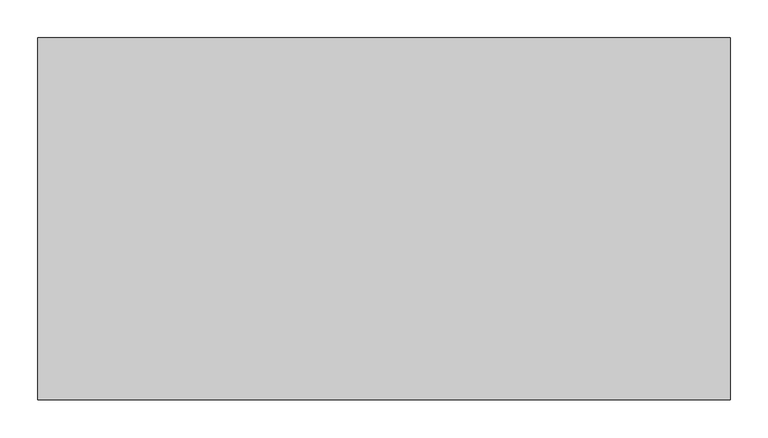
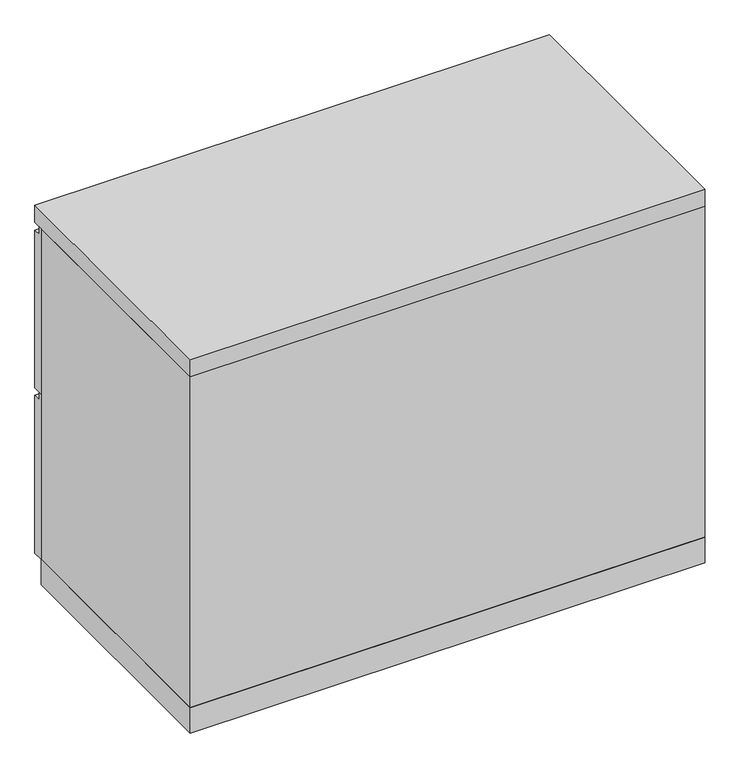
"""IFC4 building model written with IfcOpenShell, lengths in millimetres: furniture geometry."""

from ifc_helpers import new_model, si_unit, frame, origin, origin_with_axes, place, context, project, spatial, polyline, outline, extrude, source, transform, mapped, element, save


def furniture_5cbb4ccc(model_context):
    return source(origin(), model_context, "Body", "SweptSolid", [
        extrude(outline(polyline([(457.2, 357.1875), (457.2, 666.75), (463.55, 666.75), (463.55, 652.4625), (476.25, 652.4625), (476.25, 357.1875), (457.2, 357.1875)])), frame((-455.6125, 0.0, 0.0), z_axis=(1.0, 0.0, 0.0), x_axis=(0.0, 1.0, 0.0)), (0.0, 0.0, 1.0), 911.225),
        extrude(outline(polyline([(457.2, 357.1875), (457.2, 666.75), (463.55, 666.75), (463.55, 652.4625), (476.25, 652.4625), (476.25, 357.1875), (457.2, 357.1875)])), frame((-455.6125, 0.0, 0.0), z_axis=(1.0, 0.0, 0.0), x_axis=(0.0, 1.0, 0.0)), (0.0, 0.0, 1.0), 911.225),
        extrude(outline(polyline([(457.2, 47.625), (457.2, 357.1875), (463.55, 357.1875), (463.55, 342.9), (476.25, 342.9), (476.25, 47.625), (457.2, 47.625)])), frame((-455.6125, 0.0, 0.0), z_axis=(1.0, 0.0, 0.0), x_axis=(0.0, 1.0, 0.0)), (0.0, 0.0, 1.0), 911.225),
        extrude(outline(polyline([(455.6125, 0.0), (-455.6125, 0.0), (-455.6125, 457.2), (455.6125, 457.2), (455.6125, 0.0)])), origin_with_axes(), (0.0, 0.0, 1.0), 47.625),
        extrude(outline(polyline([(455.6125, 0.0), (-455.6125, 0.0), (-455.6125, 476.25), (455.6125, 476.25), (455.6125, 0.0)])), frame((0.0, 0.0, 666.75), z_axis=(0.0, 0.0, 1.0), x_axis=(1.0, 0.0, 0.0)), (0.0, 0.0, 1.0), 31.75),
        extrude(outline(polyline([(455.6125, 0.0), (-455.6125, 0.0), (-455.6125, 457.2), (-436.5625, 457.2), (-436.5625, 19.05), (436.5625, 19.05), (436.5625, 457.2), (455.6125, 457.2), (455.6125, 0.0)])), frame((0.0, 0.0, 47.625), z_axis=(0.0, 0.0, 1.0), x_axis=(1.0, 0.0, 0.0)), (0.0, 0.0, 1.0), 619.125),
    ])


if __name__ == "__main__":
    model = new_model("IFC4")
    model_context = context("Model", 3, world=origin())
    ifc_project = project(units=[si_unit("LENGTHUNIT", "METRE", prefix="MILLI")], contexts=[model_context])
    site = spatial("IfcSite", under=ifc_project)
    building = spatial("IfcBuilding", under=site)
    placement = place(None, origin())
    furniture_shape = furniture_5cbb4ccc(model_context)
    element("IfcFurniture", 1, at=placement, inside=building, context=model_context, shape_type="MappedRepresentation", body=[
        mapped(furniture_shape, transform((0.0, 0.0, 0.0), x_axis=(1.0, 0.0, 0.0), y_axis=(0.0, 1.0, 0.0), z_axis=(0.0, 0.0, 1.0))),
    ])
    save(model, "model.ifc")
